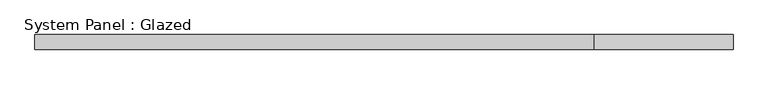
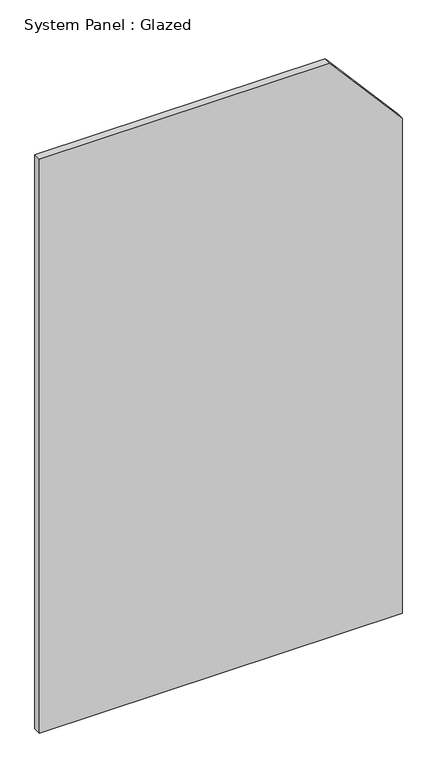
"""IFC4 building model written with IfcOpenShell, lengths in millimetres: plate geometry, System Panel : Glazed."""

from ifc_helpers import new_model, si_unit, frame, origin, place, context, project, spatial, polyline, outline, extrude, source, transform, mapped, element, save


def system_panel_glazed_8f1425a2(model_context):
    return source(origin(), model_context, "Body", "SweptSolid", [
        extrude(outline(polyline([(0.0, -580.0), (0.0, 580.0), (1673.7568318, 580.0), (1940.0, 349.4266528), (1940.0, -580.0), (0.0, -580.0)])), frame((0.0, 24.5, 0.0), z_axis=(0.0, 1.0, 0.0), x_axis=(0.0, 0.0, 1.0)), (0.0, 0.0, 1.0), 25.0),
    ])


if __name__ == "__main__":
    model = new_model("IFC4")
    model_context = context("Model", 3, world=origin())
    ifc_project = project(units=[si_unit("LENGTHUNIT", "METRE", prefix="MILLI")], contexts=[model_context])
    site = spatial("IfcSite", under=ifc_project)
    building = spatial("IfcBuilding", under=site)
    placement = place(None, origin())
    system_panel_glazed_shape = system_panel_glazed_8f1425a2(model_context)
    element("IfcPlate", 1, ObjectType="System Panel : Glazed", at=placement, inside=building, context=model_context, shape_type="MappedRepresentation", body=[
        mapped(system_panel_glazed_shape, transform((0.0, 0.0, 0.0), x_axis=(1.0, 0.0, 0.0), y_axis=(0.0, 1.0, 0.0), z_axis=(0.0, 0.0, 1.0))),
    ])
    save(model, "model.ifc")
